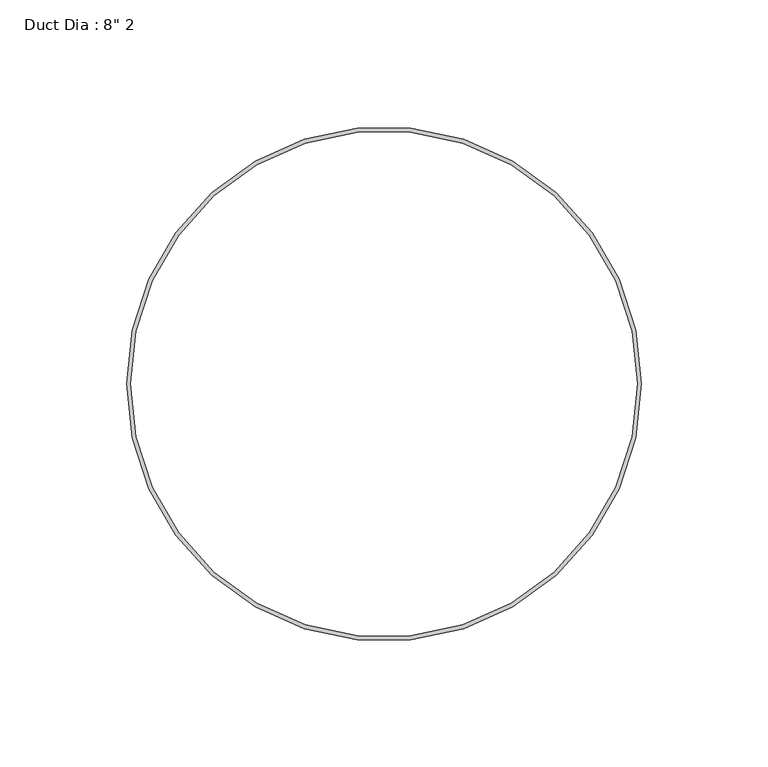
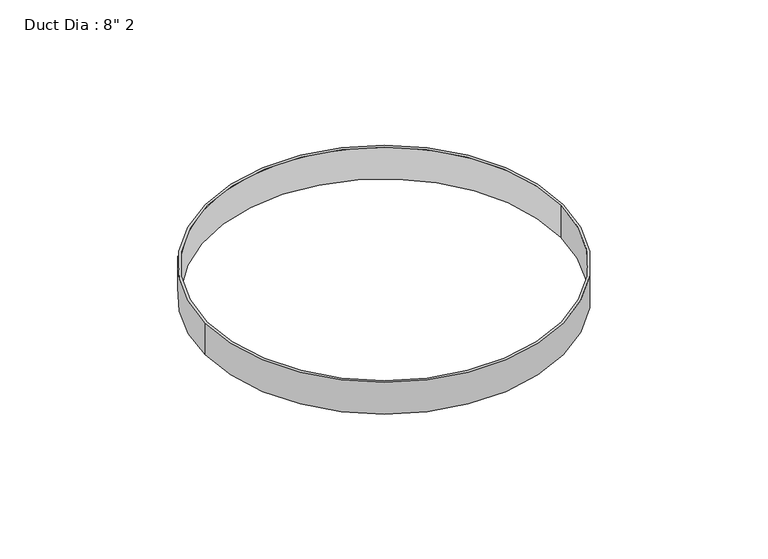
"""IFC4 building model written with IfcOpenShell, lengths in millimetres: proxy geometry."""

from ifc_helpers import new_model, si_unit, point, origin, origin_with_axes, origin_2d, place, context, project, spatial, circle_curve, trimmed, segment, composite_curve, outline, extrude, source, transform, mapped, element, save


def proxy_c6dae284(model_context):
    return source(origin(), model_context, "Body", "SweptSolid", [
        extrude(outline(composite_curve([segment(trimmed(circle_curve(origin_2d(), 101.6), [point((-101.6, 0.0))], [point((101.6, 0.0))], False, "CARTESIAN"), True, "CONTINUOUS"), segment(trimmed(circle_curve(origin_2d(), 101.6), [point((101.6, 0.0))], [point((-101.6, 0.0))], False, "CARTESIAN"), True, "CONTINUOUS")], self_intersect=False), holes=[composite_curve([segment(trimmed(circle_curve(origin_2d(), 100.0125), [point((-100.0125, 0.0))], [point((100.0125, 0.0))], True, "CARTESIAN"), True, "CONTINUOUS"), segment(trimmed(circle_curve(origin_2d(), 100.0125), [point((100.0125, 0.0))], [point((-100.0125, 0.0))], True, "CARTESIAN"), True, "CONTINUOUS")], self_intersect=False)]), origin_with_axes(), (0.0, 0.0, 1.0), 19.05),
    ])


if __name__ == "__main__":
    model = new_model("IFC4")
    model_context = context("Model", 3, world=origin())
    ifc_project = project(units=[si_unit("LENGTHUNIT", "METRE", prefix="MILLI")], contexts=[model_context])
    site = spatial("IfcSite", under=ifc_project)
    building = spatial("IfcBuilding", under=site)
    placement = place(None, origin())
    proxy_shape = proxy_c6dae284(model_context)
    element("IfcBuildingElementProxy", 1, Name="Duct Dia : 8\" 2", ObjectType="Duct Dia : 8\" 2", at=placement, inside=building, context=model_context, shape_type="MappedRepresentation", body=[
        mapped(proxy_shape, transform((0.0, 0.0, 0.0), x_axis=(1.0, 0.0, 0.0), y_axis=(0.0, 1.0, 0.0), z_axis=(0.0, 0.0, 1.0))),
    ])
    save(model, "model.ifc")
